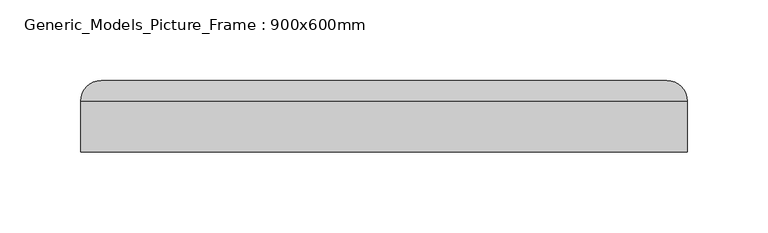
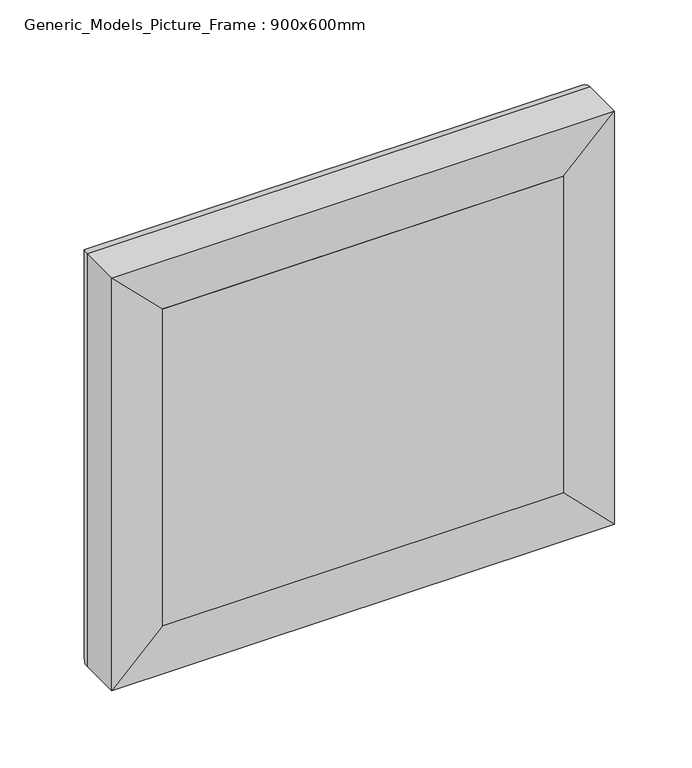
"""IFC4 building model written with IfcOpenShell, lengths in millimetres: proxy geometry, Generic_Models_Picture_Frame : 900x600mm."""

from ifc_helpers import new_model, si_unit, frame, origin, place, context, project, spatial, polyline, ellipse_curve, outline, extrude, source, transform, mapped, element, save
from ifc_brep_helpers import plane_surface, cylinder_surface, advanced_brep


def generic_models_picture_frame_900x600mm_dee087d9(model_context):
    return source(origin(), model_context, "Body", "SolidModel", [
        extrude(outline(polyline([(-150.0, 101.6), (150.0, 101.6), (150.0, 67.5), (-150.0, 67.5), (-150.0, 101.6)])), frame((0.0, 0.0, 1550.0), z_axis=(0.0, 0.0, 1.0), x_axis=(1.0, 0.0, 0.0)), (0.0, 0.0, 1.0), 250.0),
        advanced_brep(
        [(-150.0, 67.5, 1800.0), (-188.1, 67.5, 1838.1), (-188.1, 67.5, 1511.9), (-150.0, 67.5, 1550.0), (-150.0, 92.9, 1800.0), (-150.0, 92.9, 1550.0), (-130.95, 92.9, 1780.95), (-130.95, 92.9, 1569.05), (-130.95, 99.25, 1780.95), (-130.95, 99.25, 1569.05), (-143.65, 111.95, 1793.65), (-143.65, 111.95, 1556.35), (-175.4, 111.95, 1825.4), (-175.4, 111.95, 1524.6), (-188.1, 99.25, 1838.1), (-188.1, 99.25, 1511.9), (188.1, 67.5, 1511.9), (150.0, 67.5, 1550.0), (150.0, 92.9, 1550.0), (130.95, 92.9, 1569.05), (130.95, 99.25, 1569.05), (143.65, 111.95, 1556.35), (175.4, 111.95, 1524.6), (188.1, 99.25, 1511.9), (188.1, 67.5, 1838.1), (150.0, 67.5, 1800.0), (150.0, 92.9, 1800.0), (130.95, 92.9, 1780.95), (130.95, 99.25, 1780.95), (143.65, 111.95, 1793.65), (175.4, 111.95, 1825.4), (188.1, 99.25, 1838.1)],
        [
            (0, 1),
            (1, 2),
            (2, 3),
            (3, 0),
            (4, 0),
            (3, 5),
            (5, 4),
            (6, 4),
            (5, 7),
            (7, 6),
            (8, 6),
            (7, 9),
            (9, 8),
            (10, 8, ellipse_curve(frame((-143.65, 99.25, 1793.65), z_axis=(-0.7071067811865475, 0.0, -0.7071067811865475), x_axis=(-0.7071067811865474, 0.0, 0.7071067811865476)), 17.9605122, 12.7)),
            (9, 11, ellipse_curve(frame((-143.65, 99.25, 1556.35), z_axis=(-0.7071067811865475, 0.0, 0.7071067811865475), x_axis=(0.7071067811865474, 0.0, 0.7071067811865476)), 17.9605122, 12.7)),
            (11, 10),
            (12, 10),
            (11, 13),
            (13, 12),
            (14, 12, ellipse_curve(frame((-175.4, 99.25, 1825.4), z_axis=(-0.7071067811865475, 0.0, -0.7071067811865475), x_axis=(-0.7071067811865474, 0.0, 0.7071067811865476)), 17.9605122, 12.7)),
            (13, 15, ellipse_curve(frame((-175.4, 99.25, 1524.6), z_axis=(-0.7071067811865475, 0.0, 0.7071067811865475), x_axis=(0.7071067811865474, 0.0, 0.7071067811865476)), 17.9605122, 12.7)),
            (15, 14),
            (1, 14),
            (15, 2),
            (2, 16),
            (16, 17),
            (17, 3),
            (17, 18),
            (18, 5),
            (18, 19),
            (19, 7),
            (19, 20),
            (20, 9),
            (20, 21, ellipse_curve(frame((143.65, 99.25, 1556.35), z_axis=(-0.7071067811865475, 0.0, -0.7071067811865475), x_axis=(-0.7071067811865476, 0.0, 0.7071067811865474)), 17.9605122, 12.7)),
            (21, 11),
            (21, 22),
            (22, 13),
            (22, 23, ellipse_curve(frame((175.4, 99.25, 1524.6), z_axis=(-0.7071067811865475, 0.0, -0.7071067811865475), x_axis=(-0.7071067811865476, 0.0, 0.7071067811865474)), 17.9605122, 12.7)),
            (23, 15),
            (23, 16),
            (16, 24),
            (24, 25),
            (25, 17),
            (25, 26),
            (26, 18),
            (26, 27),
            (27, 19),
            (27, 28),
            (28, 20),
            (28, 29, ellipse_curve(frame((143.65, 99.25, 1793.65), z_axis=(0.7071067811865475, 0.0, -0.7071067811865475), x_axis=(-0.7071067811865474, 0.0, -0.7071067811865476)), 17.9605122, 12.7)),
            (29, 21),
            (29, 30),
            (30, 22),
            (30, 31, ellipse_curve(frame((175.4, 99.25, 1825.4), z_axis=(0.7071067811865475, 0.0, -0.7071067811865475), x_axis=(-0.7071067811865474, 0.0, -0.7071067811865476)), 17.9605122, 12.7)),
            (31, 23),
            (31, 24),
            (24, 1),
            (0, 25),
            (4, 26),
            (6, 27),
            (8, 28),
            (10, 29),
            (12, 30),
            (14, 31),
        ],
        [
            plane_surface(frame((-188.1, 67.5, 1838.1), z_axis=(0.0, -1.0, 0.0), x_axis=(0.0, 0.0, -1.0))),
            plane_surface(frame((-150.0, 67.5, 1800.0), z_axis=(1.0, 0.0, 0.0), x_axis=(0.0, 0.0, -1.0))),
            plane_surface(frame((-150.0, 92.9, 1800.0), z_axis=(0.0, -1.0, 0.0), x_axis=(0.0, 0.0, -1.0))),
            plane_surface(frame((-130.95, 92.9, 1780.95), z_axis=(1.0, 0.0, 0.0), x_axis=(0.0, 0.0, -1.0))),
            cylinder_surface(frame((-143.65, 99.25, 1800.0), z_axis=(0.0, 0.0, 1.0), x_axis=(-1.0, 0.0, 0.0)), 12.7),
            plane_surface(frame((-143.65, 111.95, 1793.65), z_axis=(0.0, 1.0, 0.0), x_axis=(0.0, 0.0, -1.0))),
            cylinder_surface(frame((-175.4, 99.25, 1800.0), z_axis=(0.0, 0.0, 1.0), x_axis=(-1.0, 0.0, 0.0)), 12.7),
            plane_surface(frame((-188.1, 99.25, 1838.1), z_axis=(-1.0, 0.0, 0.0), x_axis=(0.0, 0.0, -1.0))),
            plane_surface(frame((-188.1, 67.5, 1511.9), z_axis=(0.0, -1.0, 0.0), x_axis=(1.0, 0.0, 0.0))),
            plane_surface(frame((-150.0, 67.5, 1550.0), z_axis=(0.0, 0.0, 1.0), x_axis=(1.0, 0.0, 0.0))),
            plane_surface(frame((-150.0, 92.9, 1550.0), z_axis=(0.0, -1.0, 0.0), x_axis=(1.0, 0.0, 0.0))),
            plane_surface(frame((-130.95, 92.9, 1569.05), z_axis=(0.0, 0.0, 1.0), x_axis=(1.0, 0.0, 0.0))),
            cylinder_surface(frame((-150.0, 99.25, 1556.35), z_axis=(-1.0, 0.0, 0.0), x_axis=(0.0, 0.0, -1.0)), 12.7),
            plane_surface(frame((-143.65, 111.95, 1556.35), z_axis=(0.0, 1.0, 0.0), x_axis=(1.0, 0.0, 0.0))),
            cylinder_surface(frame((-150.0, 99.25, 1524.6), z_axis=(-1.0, 0.0, 0.0), x_axis=(0.0, 0.0, -1.0)), 12.7),
            plane_surface(frame((-188.1, 99.25, 1511.9), z_axis=(0.0, 0.0, -1.0), x_axis=(1.0, 0.0, 0.0))),
            plane_surface(frame((188.1, 67.5, 1511.9), z_axis=(0.0, -1.0, 0.0), x_axis=(0.0, 0.0, 1.0))),
            plane_surface(frame((150.0, 67.5, 1550.0), z_axis=(-1.0, 0.0, 0.0), x_axis=(0.0, 0.0, 1.0))),
            plane_surface(frame((150.0, 92.9, 1550.0), z_axis=(0.0, -1.0, 0.0), x_axis=(0.0, 0.0, 1.0))),
            plane_surface(frame((130.95, 92.9, 1569.05), z_axis=(-1.0, 0.0, 0.0), x_axis=(0.0, 0.0, 1.0))),
            cylinder_surface(frame((143.65, 99.25, 1550.0), z_axis=(0.0, 0.0, -1.0), x_axis=(1.0, 0.0, 0.0)), 12.7),
            plane_surface(frame((143.65, 111.95, 1556.35), z_axis=(0.0, 1.0, 0.0), x_axis=(0.0, 0.0, 1.0))),
            cylinder_surface(frame((175.4, 99.25, 1550.0), z_axis=(0.0, 0.0, -1.0), x_axis=(1.0, 0.0, 0.0)), 12.7),
            plane_surface(frame((188.1, 99.25, 1511.9), z_axis=(1.0, 0.0, 0.0), x_axis=(0.0, 0.0, 1.0))),
            plane_surface(frame((188.1, 67.5, 1838.1), z_axis=(0.0, -1.0, 0.0), x_axis=(-1.0, 0.0, 0.0))),
            plane_surface(frame((150.0, 67.5, 1800.0), z_axis=(0.0, 0.0, -1.0), x_axis=(-1.0, 0.0, 0.0))),
            plane_surface(frame((150.0, 92.9, 1800.0), z_axis=(0.0, -1.0, 0.0), x_axis=(-1.0, 0.0, 0.0))),
            plane_surface(frame((130.95, 92.9, 1780.95), z_axis=(0.0, 0.0, -1.0), x_axis=(-1.0, 0.0, 0.0))),
            cylinder_surface(frame((150.0, 99.25, 1793.65), z_axis=(1.0, 0.0, 0.0), x_axis=(0.0, 0.0, 1.0)), 12.7),
            plane_surface(frame((143.65, 111.95, 1793.65), z_axis=(0.0, 1.0, 0.0), x_axis=(-1.0, 0.0, 0.0))),
            cylinder_surface(frame((150.0, 99.25, 1825.4), z_axis=(1.0, 0.0, 0.0), x_axis=(0.0, 0.0, 1.0)), 12.7),
            plane_surface(frame((188.1, 99.25, 1838.1), z_axis=(0.0, 0.0, 1.0), x_axis=(-1.0, 0.0, 0.0))),
        ],
        [
            (0, [[1, 2, 3, 4]]),
            (1, [[5, -4, 6, 7]]),
            (2, [[8, -7, 9, 10]]),
            (3, [[11, -10, 12, 13]]),
            (4, [[14, -13, 15, 16]]),
            (5, [[17, -16, 18, 19]]),
            (6, [[20, -19, 21, 22]]),
            (7, [[23, -22, 24, -2]]),
            (8, [[-3, 25, 26, 27]]),
            (9, [[-6, -27, 28, 29]]),
            (10, [[-9, -29, 30, 31]]),
            (11, [[-12, -31, 32, 33]]),
            (12, [[-15, -33, 34, 35]]),
            (13, [[-18, -35, 36, 37]]),
            (14, [[-21, -37, 38, 39]]),
            (15, [[-24, -39, 40, -25]]),
            (16, [[-26, 41, 42, 43]]),
            (17, [[-28, -43, 44, 45]]),
            (18, [[-30, -45, 46, 47]]),
            (19, [[-32, -47, 48, 49]]),
            (20, [[-34, -49, 50, 51]]),
            (21, [[-36, -51, 52, 53]]),
            (22, [[-38, -53, 54, 55]]),
            (23, [[-40, -55, 56, -41]]),
            (24, [[-42, 57, -1, 58]]),
            (25, [[-44, -58, -5, 59]]),
            (26, [[-46, -59, -8, 60]]),
            (27, [[-48, -60, -11, 61]]),
            (28, [[-50, -61, -14, 62]]),
            (29, [[-52, -62, -17, 63]]),
            (30, [[-54, -63, -20, 64]]),
            (31, [[-56, -64, -23, -57]]),
        ],
    ),
    ])


if __name__ == "__main__":
    model = new_model("IFC4")
    model_context = context("Model", 3, world=origin())
    ifc_project = project(units=[si_unit("LENGTHUNIT", "METRE", prefix="MILLI")], contexts=[model_context])
    site = spatial("IfcSite", under=ifc_project)
    building = spatial("IfcBuilding", under=site)
    placement = place(None, origin())
    generic_models_picture_frame_900x600mm_shape = generic_models_picture_frame_900x600mm_dee087d9(model_context)
    element("IfcBuildingElementProxy", 1, Name="Generic_Models_Picture_Frame : 900x600mm", ObjectType="Generic_Models_Picture_Frame : 900x600mm", at=placement, inside=building, context=model_context, shape_type="MappedRepresentation", body=[
        mapped(generic_models_picture_frame_900x600mm_shape, transform((0.0, 0.0, 0.0), x_axis=(1.0, 0.0, 0.0), y_axis=(0.0, 1.0, 0.0), z_axis=(0.0, 0.0, 1.0))),
    ])
    save(model, "model.ifc")
